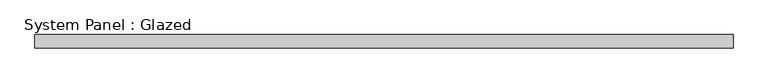
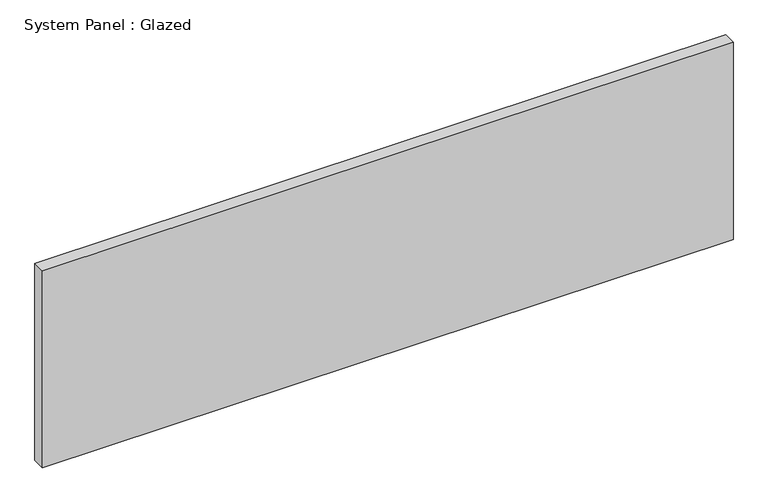
"""IFC4 building model written with IfcOpenShell, lengths in millimetres: plate geometry, System Panel : Glazed."""

from ifc_helpers import new_model, si_unit, origin, origin_with_axes, place, context, project, spatial, polyline, outline, extrude, source, transform, mapped, element, save


def system_panel_glazed_b2eff7d5(model_context):
    return source(origin(), model_context, "Body", "SweptSolid", [
        extrude(outline(polyline([(673.1000002, 19.05), (-673.1000002, 19.05), (-673.1000002, 44.45), (673.1000002, 44.45), (673.1000002, 19.05)])), origin_with_axes(), (0.0, 0.0, 1.0), 406.4),
    ])


if __name__ == "__main__":
    model = new_model("IFC4")
    model_context = context("Model", 3, world=origin())
    ifc_project = project(units=[si_unit("LENGTHUNIT", "METRE", prefix="MILLI")], contexts=[model_context])
    site = spatial("IfcSite", under=ifc_project)
    building = spatial("IfcBuilding", under=site)
    placement = place(None, origin())
    system_panel_glazed_shape = system_panel_glazed_b2eff7d5(model_context)
    element("IfcPlate", 1, ObjectType="System Panel : Glazed", at=placement, inside=building, context=model_context, shape_type="MappedRepresentation", body=[
        mapped(system_panel_glazed_shape, transform((0.0, 0.0, 0.0), x_axis=(1.0, 0.0, 0.0), y_axis=(0.0, 1.0, 0.0), z_axis=(0.0, 0.0, 1.0))),
    ])
    save(model, "model.ifc")
